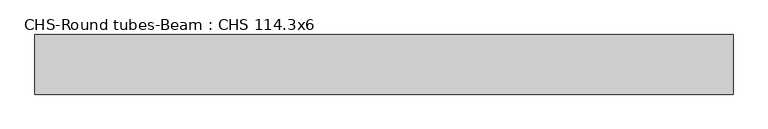
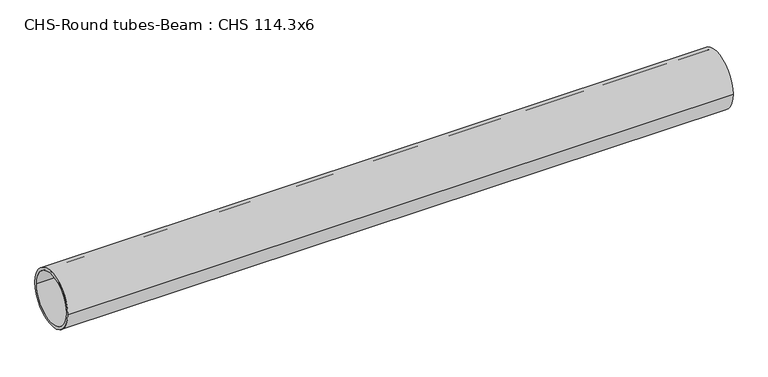
"""IFC4 building model written with IfcOpenShell, lengths in millimetres: beam geometry, CHS-Round tubes-Beam : CHS 114.3x6."""

from ifc_helpers import new_model, si_unit, point, frame, origin, origin_2d, place, context, project, spatial, circle_curve, trimmed, segment, composite_curve, outline, extrude, source, transform, mapped, element, save


def chs_round_tubes_beam_chs_114_3x6_57b1d1c4(model_context):
    return source(origin(), model_context, "Body", "SweptSolid", [
        extrude(outline(composite_curve([segment(trimmed(circle_curve(origin_2d(), 57.15), [point((57.15, 0.0))], [point((-57.15, 0.0))], False, "CARTESIAN"), True, "CONTINUOUS"), segment(trimmed(circle_curve(origin_2d(), 57.15), [point((-57.15, 0.0))], [point((57.15, 0.0))], False, "CARTESIAN"), True, "CONTINUOUS")], self_intersect=False), holes=[composite_curve([segment(trimmed(circle_curve(origin_2d(), 51.15), [point((51.15, 0.0))], [point((-51.15, 0.0))], True, "CARTESIAN"), True, "CONTINUOUS"), segment(trimmed(circle_curve(origin_2d(), 51.15), [point((-51.15, 0.0))], [point((51.15, 0.0))], True, "CARTESIAN"), True, "CONTINUOUS")], self_intersect=False)]), frame((-656.3286359, 0.0, 0.0), z_axis=(1.0, 0.0, 0.0), x_axis=(0.0, 1.0, 0.0)), (0.0, 0.0, 1.0), 1337.5029332),
    ])


if __name__ == "__main__":
    model = new_model("IFC4")
    model_context = context("Model", 3, world=origin())
    ifc_project = project(units=[si_unit("LENGTHUNIT", "METRE", prefix="MILLI")], contexts=[model_context])
    site = spatial("IfcSite", under=ifc_project)
    building = spatial("IfcBuilding", under=site)
    placement = place(None, origin())
    chs_round_tubes_beam_chs_114_3x6_shape = chs_round_tubes_beam_chs_114_3x6_57b1d1c4(model_context)
    element("IfcBeam", 1, ObjectType="CHS-Round tubes-Beam : CHS 114.3x6", at=placement, inside=building, context=model_context, shape_type="MappedRepresentation", body=[
        mapped(chs_round_tubes_beam_chs_114_3x6_shape, transform((0.0, 0.0, 0.0), x_axis=(1.0, 0.0, 0.0), y_axis=(0.0, 1.0, 0.0), z_axis=(0.0, 0.0, 1.0))),
    ])
    save(model, "model.ifc")
